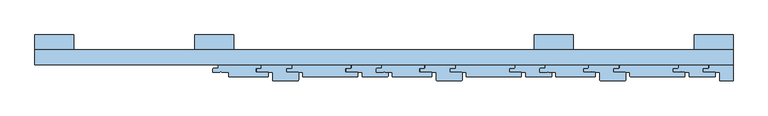
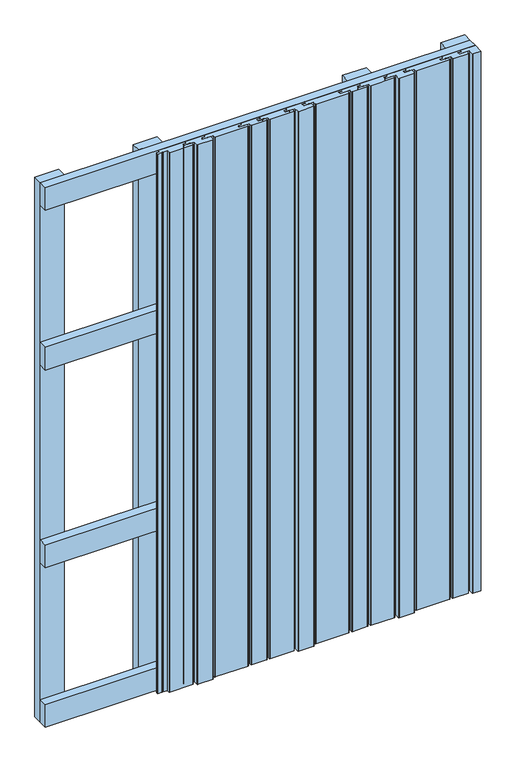
"""IFC4 building model written with IfcOpenShell, lengths in millimetres: window geometry."""

import ifcopenshell
import ifcopenshell.guid

model = None  # the IFC model being written
_history = None  # IfcOwnerHistory: only IFC2X3 demands one
_inside = {}  # id of a spatial element -> (the spatial element, [elements in it])
_under = {}  # id of a project, library or spatial element -> (it, [spatial elements below it])
_declared = {}  # id of a project -> (the project, [libraries it declares])
_typed = {}  # id of a type object -> (the type object, [elements of that type])
_made_of = {}  # id of a material, layer set ... -> (it, [elements and type objects made of it])


def new_model(schema):
    """Start an empty IFC model of exactly this schema.

    Asked for "IFC4X3", IfcOpenShell would pick the latest addendum, in which some entities
    have other attributes; the version numbers below select the first issue.
    IFC2X3 requires an IfcOwnerHistory on every rooted entity: one is made here for all.
    """
    global model, _history
    if schema == "IFC4X3":
        model = ifcopenshell.file(schema_version=(4, 3, 0, 0))
    else:
        model = ifcopenshell.file(schema=schema)
    _inside.clear()
    _under.clear()
    _declared.clear()
    _typed.clear()
    _made_of.clear()
    _history = None
    if model.schema == "IFC2X3":
        org = make("IfcOrganization", Name="unknown")
        user = make(
            "IfcPersonAndOrganization",
            ThePerson=make("IfcPerson", FamilyName="unknown"),
            TheOrganization=org,
        )
        app = make(
            "IfcApplication",
            ApplicationDeveloper=org,
            Version="unknown",
            ApplicationFullName="unknown",
            ApplicationIdentifier="unknown",
        )
        _history = make(
            "IfcOwnerHistory",
            OwningUser=user,
            OwningApplication=app,
            ChangeAction="ADDED",
            CreationDate=0,
        )
    return model


def make(cls, **values):
    """One entity of the class cls with the attributes given. An attribute that is None is left unset."""
    return model.create_entity(
        cls, **{name: value for name, value in values.items() if value is not None}
    )


def rooted(cls, **values):
    """An entity with a GlobalId (a new one), such as an element, a storey or a relation."""
    return make(cls, GlobalId=ifcopenshell.guid.new(), OwnerHistory=_history, **values)


def si_unit(unit_type, name, prefix=None):
    """IfcSIUnit, for example si_unit("LENGTHUNIT", "METRE", prefix="MILLI")."""
    return make("IfcSIUnit", UnitType=unit_type, Prefix=prefix, Name=name)


def assignment(units):
    """IfcUnitAssignment: the units of a project."""
    return None if units is None else make("IfcUnitAssignment", Units=units)


def point(xyz):
    """IfcCartesianPoint."""
    return None if xyz is None else make("IfcCartesianPoint", Coordinates=xyz)


def direction(xyz):
    """IfcDirection."""
    return None if xyz is None else make("IfcDirection", DirectionRatios=xyz)


def frame(location, z_axis=None, x_axis=None):
    """IfcAxis2Placement3D, a coordinate frame: its origin and axes. An axis left out is left unset."""
    return make(
        "IfcAxis2Placement3D",
        Location=point(location),
        Axis=direction(z_axis),
        RefDirection=direction(x_axis),
    )


def frame_2d(location, x_axis=None):
    """IfcAxis2Placement2D, a coordinate frame in the plane: its origin and x axis."""
    return make(
        "IfcAxis2Placement2D", Location=point(location), RefDirection=direction(x_axis)
    )


def origin():
    """The frame at (0, 0, 0) with its axes left unset."""
    return frame((0.0, 0.0, 0.0))


def place(relative_to, where):
    """IfcLocalPlacement: puts the frame where relative to a parent placement (None: the world)."""
    return make(
        "IfcLocalPlacement", PlacementRelTo=relative_to, RelativePlacement=where
    )


def context(
    kind, dimensions, precision=None, world=None, true_north=None, identifier=None
):
    """IfcGeometricRepresentationContext, for example the 3D "Model" context."""
    return make(
        "IfcGeometricRepresentationContext",
        ContextIdentifier=identifier,
        ContextType=kind,
        CoordinateSpaceDimension=dimensions,
        Precision=precision,
        WorldCoordinateSystem=world,
        TrueNorth=true_north,
    )


def project(units=None, contexts=None):
    """IfcProject with its units and contexts."""
    return rooted(
        "IfcProject",
        Name="project",
        RepresentationContexts=contexts,
        UnitsInContext=assignment(units),
    )


def spatial(cls, under=None, at=None, **own):
    """A site, building, storey or space (cls), placed at a placement, below another one or the project."""
    s = rooted(cls, ObjectPlacement=at, **own)
    if under is not None:
        _under.setdefault(under.id(), (under, []))[1].append(s)
    return s


def polyline(points):
    """IfcPolyline through the points."""
    return make("IfcPolyline", Points=[point(p) for p in points])


def circle_curve(where, radius):
    """IfcCircle in the frame where."""
    return make("IfcCircle", Position=where, Radius=radius)


def trimmed(basis, trim1, trim2, sense, master):
    """IfcTrimmedCurve: the piece of a basis curve between two trims."""
    return make(
        "IfcTrimmedCurve",
        BasisCurve=basis,
        Trim1=trim1,
        Trim2=trim2,
        SenseAgreement=sense,
        MasterRepresentation=master,
    )


def segment(curve, same_sense, transition):
    """IfcCompositeCurveSegment."""
    return make(
        "IfcCompositeCurveSegment",
        Transition=transition,
        SameSense=same_sense,
        ParentCurve=curve,
    )


def composite_curve(segments, self_intersect=None):
    """IfcCompositeCurve: segments joined end to end."""
    return make("IfcCompositeCurve", Segments=segments, SelfIntersect=self_intersect)


def outline(outer, holes=None, kind="AREA"):
    """IfcArbitraryClosedProfileDef: a profile drawn as a closed curve; with holes, ...WithVoids."""
    if holes is None:
        return make("IfcArbitraryClosedProfileDef", ProfileType=kind, OuterCurve=outer)
    return make(
        "IfcArbitraryProfileDefWithVoids",
        ProfileType=kind,
        OuterCurve=outer,
        InnerCurves=holes,
    )


def extrude(swept, where, along, depth):
    """IfcExtrudedAreaSolid: the profile swept, set in the frame where, extruded along a direction by depth."""
    return make(
        "IfcExtrudedAreaSolid",
        SweptArea=swept,
        Position=where,
        ExtrudedDirection=direction(along),
        Depth=depth,
    )


def shape(context_of_items, identifier, shape_type, items):
    """IfcShapeRepresentation: the items that make up one representation, for example the "Body"."""
    return make(
        "IfcShapeRepresentation",
        ContextOfItems=context_of_items,
        RepresentationIdentifier=identifier,
        RepresentationType=shape_type,
        Items=items,
    )


def source(mapping_origin, context_of_items, identifier, shape_type, items):
    """IfcRepresentationMap: a shape defined once, which mapped items show again and again."""
    return make(
        "IfcRepresentationMap",
        MappingOrigin=mapping_origin,
        MappedRepresentation=shape(context_of_items, identifier, shape_type, items),
    )


def transform(
    local_origin,
    x_axis=None,
    y_axis=None,
    z_axis=None,
    scale=None,
    scale2=None,
    scale3=None,
    uniform=True,
):
    """IfcCartesianTransformationOperator3D, or its non-uniform kind. x_axis, y_axis, z_axis: its Axis1, 2, 3."""
    if uniform:
        return make(
            "IfcCartesianTransformationOperator3D",
            Axis1=direction(x_axis),
            Axis2=direction(y_axis),
            LocalOrigin=point(local_origin),
            Scale=scale,
            Axis3=direction(z_axis),
        )
    return make(
        "IfcCartesianTransformationOperator3DnonUniform",
        Axis1=direction(x_axis),
        Axis2=direction(y_axis),
        LocalOrigin=point(local_origin),
        Scale=scale,
        Axis3=direction(z_axis),
        Scale2=scale2,
        Scale3=scale3,
    )


def mapped(mapping_source, mapping_target):
    """IfcMappedItem: shows the shape of a source again, moved by a transform."""
    return make(
        "IfcMappedItem", MappingSource=mapping_source, MappingTarget=mapping_target
    )


def made_of(thing, what):
    """Note that an element or type object is made of a material, layer set ...; save() writes the relation."""
    if what is not None:
        _made_of.setdefault(what.id(), (what, []))[1].append(thing)
    return thing


def element(
    cls,
    number,
    at=None,
    inside=None,
    cuts=None,
    type_object=None,
    material=None,
    context=None,
    identifier="Body",
    shape_type=None,
    held_by="IfcProductDefinitionShape",
    body=None,
    shapes=None,
    **own,
):
    """One element of the class cls, such as IfcWall. Its Tag is "e" and its number.

    at: its placement. inside: the storey or other place that contains it. cuts: it is an
    opening in that element (IfcRelVoidsElement). A single representation is given by context,
    identifier, shape_type and body (its items); several are given by shapes. held_by: the class
    of the entity that holds the representations. save() writes the other relations.
    """
    e = rooted(cls, Tag="e%d" % number, ObjectPlacement=at, **own)
    if body is not None:
        shapes = [shape(context, identifier, shape_type, body)]
    if shapes is not None:
        e.Representation = make(held_by, Representations=shapes)
    if inside is not None:
        _inside.setdefault(inside.id(), (inside, []))[1].append(e)
    if cuts is not None:
        rooted(
            "IfcRelVoidsElement", RelatingBuildingElement=cuts, RelatedOpeningElement=e
        )
    if type_object is not None:
        _typed.setdefault(type_object.id(), (type_object, []))[1].append(e)
    return made_of(e, material)


def aggregate(whole, parts):
    """IfcRelAggregates: a whole, such as a stair, and the parts it consists of."""
    return rooted("IfcRelAggregates", RelatingObject=whole, RelatedObjects=parts)


def save(model, path):
    """Write the relations noted so far, then the file.

    IfcRelAggregates (storeys below a building ...), IfcRelContainedInSpatialStructure (elements
    in a storey), IfcRelDefinesByType, IfcRelAssociatesMaterial and IfcRelDeclares: one each for
    every whole, place, type object, material and project.
    """
    for whole, parts in _under.values():
        aggregate(whole, parts)
    for where, things in _inside.values():
        rooted(
            "IfcRelContainedInSpatialStructure",
            RelatedElements=things,
            RelatingStructure=where,
        )
    for kind, things in _typed.values():
        rooted("IfcRelDefinesByType", RelatedObjects=things, RelatingType=kind)
    for what, things in _made_of.values():
        rooted("IfcRelAssociatesMaterial", RelatedObjects=things, RelatingMaterial=what)
    for by, libraries in _declared.values():
        rooted("IfcRelDeclares", RelatingContext=by, RelatedDefinitions=libraries)
    model.write(path)


def window_c0ffc257(model_context):
    return source(origin(), model_context, "Body", "SweptSolid", [
        extrude(outline(polyline([(-565.5, -24.0), (-565.5, 0.0), (565.5, 0.0), (565.5, -24.0), (-565.5, -24.0)])), frame((0.0, 0.0, 1093.5), z_axis=(0.0, 0.0, 1.0), x_axis=(1.0, 0.0, 0.0)), (0.0, 0.0, 1.0), 63.0),
        extrude(outline(polyline([(-565.5, -24.0), (-565.5, 0.0), (565.5, 0.0), (565.5, -24.0), (-565.5, -24.0)])), frame((0.0, 0.0, 543.5), z_axis=(0.0, 0.0, 1.0), x_axis=(1.0, 0.0, 0.0)), (0.0, 0.0, 1.0), 63.0),
        extrude(outline(polyline([(-565.5, -24.0), (-565.5, 0.0), (565.5, 0.0), (565.5, -24.0), (-565.5, -24.0)])), frame((0.0, 0.0, 1537.0), z_axis=(0.0, 0.0, 1.0), x_axis=(1.0, 0.0, 0.0)), (0.0, 0.0, 1.0), 63.0),
        extrude(outline(polyline([(-565.5, -24.0), (-565.5, 0.0), (565.5, 0.0), (565.5, -24.0), (-565.5, -24.0)])), frame((0.0, 0.0, 100.0), z_axis=(0.0, 0.0, 1.0), x_axis=(1.0, 0.0, 0.0)), (0.0, 0.0, 1.0), 63.0),
        extrude(outline(polyline([(306.5, 0.0), (243.5, 0.0), (243.5, 24.0), (306.5, 24.0), (306.5, 0.0)])), frame((0.0, 0.0, 100.0), z_axis=(0.0, 0.0, 1.0), x_axis=(1.0, 0.0, 0.0)), (0.0, 0.0, 1.0), 1500.0),
        extrude(outline(polyline([(-243.5, 0.0), (-306.5, 0.0), (-306.5, 24.0), (-243.5, 24.0), (-243.5, 0.0)])), frame((0.0, 0.0, 100.0), z_axis=(0.0, 0.0, 1.0), x_axis=(1.0, 0.0, 0.0)), (0.0, 0.0, 1.0), 1500.0),
        extrude(outline(polyline([(565.5, 0.0), (502.5, 0.0), (502.5, 24.0), (565.5, 24.0), (565.5, 0.0)])), frame((0.0, 0.0, 100.0), z_axis=(0.0, 0.0, 1.0), x_axis=(1.0, 0.0, 0.0)), (0.0, 0.0, 1.0), 1500.0),
        extrude(outline(polyline([(-502.5, 0.0), (-565.5, 0.0), (-565.5, 24.0), (-502.5, 24.0), (-502.5, 0.0)])), frame((0.0, 0.0, 100.0), z_axis=(0.0, 0.0, 1.0), x_axis=(1.0, 0.0, 0.0)), (0.0, 0.0, 1.0), 1500.0),
        extrude(outline(composite_curve([segment(polyline([(253.5, -30.25), (261.5, -30.25), (261.5, -24.0), (330.5, -24.0), (330.5, -29.0)]), True, "CONTINUOUS"), segment(trimmed(circle_curve(frame_2d((329.5, -29.0)), 1.0), [point((330.5, -29.0))], [point((329.5, -30.0))], False, "CARTESIAN"), True, "CONTINUOUS"), segment(polyline([(329.5, -30.0), (322.5, -30.0), (322.5, -36.5), (341.5, -36.5)]), True, "CONTINUOUS"), segment(trimmed(circle_curve(frame_2d((341.5, -37.5)), 1.0), [point((341.5, -36.5))], [point((342.5, -37.5))], False, "CARTESIAN"), True, "CONTINUOUS"), segment(polyline([(342.5, -37.5), (342.5, -42.9818438)]), True, "CONTINUOUS"), segment(trimmed(circle_curve(frame_2d((341.500165, -43.0000073)), 1.0), [point((342.5, -42.9818438))], [point((341.4963541, -44.0))], False, "CARTESIAN"), True, "CONTINUOUS"), segment(polyline([(341.4963541, -44.0), (279.5038108, -44.0)]), True, "CONTINUOUS"), segment(trimmed(circle_curve(frame_2d((279.5, -43.0000073)), 1.0), [point((279.5038108, -44.0))], [point((278.5, -43.0000073))], False, "CARTESIAN"), True, "CONTINUOUS"), segment(polyline([(278.5, -43.0000073), (278.5, -36.25), (267.2406766, -36.25)]), True, "CONTINUOUS"), segment(trimmed(circle_curve(frame_2d((267.2468786, -35.2497192)), 1.0003001), [point((267.2406766, -36.25))], [point((266.3786704, -35.7465238))], False, "CARTESIAN"), True, "CONTINUOUS"), segment(trimmed(circle_curve(frame_2d((265.5, -36.2239526)), 1.0), [point((266.3786704, -35.7465238))], [point((264.6213296, -35.7465238))], True, "CARTESIAN"), True, "CONTINUOUS"), segment(trimmed(circle_curve(frame_2d((263.7532725, -35.2500594)), 1.0), [point((264.6213296, -35.7465238))], [point((263.7641697, -36.25))], False, "CARTESIAN"), True, "CONTINUOUS"), segment(polyline([(263.7641697, -36.25), (252.5, -36.25), (252.5, -31.25)]), True, "CONTINUOUS"), segment(trimmed(circle_curve(frame_2d((253.5, -31.25)), 1.0), [point((252.5, -31.25))], [point((253.5, -30.25))], False, "CARTESIAN"), True, "CONTINUOUS")], self_intersect=False)), frame((0.0, 0.0, 100.0), z_axis=(0.0, 0.0, 1.0), x_axis=(1.0, 0.0, 0.0)), (0.0, 0.0, 1.0), 1500.0),
        extrude(outline(composite_curve([segment(polyline([(324.5, -30.25), (331.5, -30.25), (331.5, -24.0), (380.5, -24.0), (380.5, -29.0)]), True, "CONTINUOUS"), segment(trimmed(circle_curve(frame_2d((379.5, -29.0)), 1.0), [point((380.5, -29.0))], [point((379.5, -30.0))], False, "CARTESIAN"), True, "CONTINUOUS"), segment(polyline([(379.5, -30.0), (371.5, -30.0), (371.5, -36.5), (390.5, -36.5)]), True, "CONTINUOUS"), segment(trimmed(circle_curve(frame_2d((390.5, -37.5)), 1.0), [point((390.5, -36.5))], [point((391.5, -37.5))], False, "CARTESIAN"), True, "CONTINUOUS"), segment(polyline([(391.5, -37.5), (391.5, -48.9818438)]), True, "CONTINUOUS"), segment(trimmed(circle_curve(frame_2d((390.500165, -49.0000073)), 1.0), [point((391.5, -48.9818438))], [point((390.4963541, -50.0))], False, "CARTESIAN"), True, "CONTINUOUS"), segment(polyline([(390.4963541, -50.0), (350.5038108, -50.0)]), True, "CONTINUOUS"), segment(trimmed(circle_curve(frame_2d((350.5, -49.0000073)), 1.0), [point((350.5038108, -50.0))], [point((349.5, -49.0000073))], False, "CARTESIAN"), True, "CONTINUOUS"), segment(polyline([(349.5, -49.0000073), (349.5, -36.25), (338.2406766, -36.25)]), True, "CONTINUOUS"), segment(trimmed(circle_curve(frame_2d((338.2468786, -35.2497192)), 1.0003001), [point((338.2406766, -36.25))], [point((337.3786704, -35.7465238))], False, "CARTESIAN"), True, "CONTINUOUS"), segment(trimmed(circle_curve(frame_2d((336.5, -36.2239526)), 1.0), [point((337.3786704, -35.7465238))], [point((335.6213296, -35.7465238))], True, "CARTESIAN"), True, "CONTINUOUS"), segment(trimmed(circle_curve(frame_2d((334.7532725, -35.2500594)), 1.0), [point((335.6213296, -35.7465238))], [point((334.7641697, -36.25))], False, "CARTESIAN"), True, "CONTINUOUS"), segment(polyline([(334.7641697, -36.25), (323.5, -36.25), (323.5, -31.25)]), True, "CONTINUOUS"), segment(trimmed(circle_curve(frame_2d((324.5, -31.25)), 1.0), [point((323.5, -31.25))], [point((324.5, -30.25))], False, "CARTESIAN"), True, "CONTINUOUS")], self_intersect=False)), frame((0.0, 0.0, 100.0), z_axis=(0.0, 0.0, 1.0), x_axis=(1.0, 0.0, 0.0)), (0.0, 0.0, 1.0), 1500.0),
        extrude(outline(composite_curve([segment(polyline([(373.5, -30.25), (381.5, -30.25), (381.5, -24.0), (476.5, -24.0), (476.5, -29.0)]), True, "CONTINUOUS"), segment(trimmed(circle_curve(frame_2d((475.5, -29.0)), 1.0), [point((476.5, -29.0))], [point((475.5, -30.0))], False, "CARTESIAN"), True, "CONTINUOUS"), segment(polyline([(475.5, -30.0), (467.5, -30.0), (467.5, -36.5), (486.5, -36.5)]), True, "CONTINUOUS"), segment(trimmed(circle_curve(frame_2d((486.5, -37.5)), 1.0), [point((486.5, -36.5))], [point((487.5, -37.5))], False, "CARTESIAN"), True, "CONTINUOUS"), segment(polyline([(487.5, -37.5), (487.5, -42.9818438)]), True, "CONTINUOUS"), segment(trimmed(circle_curve(frame_2d((486.500165, -43.0000073)), 1.0), [point((487.5, -42.9818438))], [point((486.4963541, -44.0))], False, "CARTESIAN"), True, "CONTINUOUS"), segment(polyline([(486.4963541, -44.0), (399.5038108, -44.0)]), True, "CONTINUOUS"), segment(trimmed(circle_curve(frame_2d((399.5, -43.0000073)), 1.0), [point((399.5038108, -44.0))], [point((398.5, -43.0000073))], False, "CARTESIAN"), True, "CONTINUOUS"), segment(polyline([(398.5, -43.0000073), (398.5, -36.25), (387.2406766, -36.25)]), True, "CONTINUOUS"), segment(trimmed(circle_curve(frame_2d((387.2468786, -35.2497192)), 1.0003001), [point((387.2406766, -36.25))], [point((386.3786704, -35.7465238))], False, "CARTESIAN"), True, "CONTINUOUS"), segment(trimmed(circle_curve(frame_2d((385.5, -36.2239526)), 1.0), [point((386.3786704, -35.7465238))], [point((384.6213296, -35.7465238))], True, "CARTESIAN"), True, "CONTINUOUS"), segment(trimmed(circle_curve(frame_2d((383.7532725, -35.2500594)), 1.0), [point((384.6213296, -35.7465238))], [point((383.7641697, -36.25))], False, "CARTESIAN"), True, "CONTINUOUS"), segment(polyline([(383.7641697, -36.25), (372.5, -36.25), (372.5, -31.25)]), True, "CONTINUOUS"), segment(trimmed(circle_curve(frame_2d((373.5, -31.25)), 1.0), [point((372.5, -31.25))], [point((373.5, -30.25))], False, "CARTESIAN"), True, "CONTINUOUS")], self_intersect=False)), frame((0.0, 0.0, 100.0), z_axis=(0.0, 0.0, 1.0), x_axis=(1.0, 0.0, 0.0)), (0.0, 0.0, 1.0), 1500.0),
        extrude(outline(composite_curve([segment(polyline([(469.5, -30.25), (477.5, -30.25), (477.5, -24.0), (525.5, -24.0), (525.5, -29.0)]), True, "CONTINUOUS"), segment(trimmed(circle_curve(frame_2d((524.5, -29.0)), 1.0), [point((525.5, -29.0))], [point((524.5, -30.0))], False, "CARTESIAN"), True, "CONTINUOUS"), segment(polyline([(524.5, -30.0), (516.5, -30.0), (516.5, -36.5), (535.5, -36.5)]), True, "CONTINUOUS"), segment(trimmed(circle_curve(frame_2d((535.5, -37.5)), 1.0), [point((535.5, -36.5))], [point((536.5, -37.5))], False, "CARTESIAN"), True, "CONTINUOUS"), segment(polyline([(536.5, -37.5), (536.5, -42.9818438)]), True, "CONTINUOUS"), segment(trimmed(circle_curve(frame_2d((535.500165, -43.0000073)), 1.0), [point((536.5, -42.9818438))], [point((535.4963541, -44.0))], False, "CARTESIAN"), True, "CONTINUOUS"), segment(polyline([(535.4963541, -44.0), (495.5038108, -44.0)]), True, "CONTINUOUS"), segment(trimmed(circle_curve(frame_2d((495.5, -43.0000073)), 1.0), [point((495.5038108, -44.0))], [point((494.5, -43.0000073))], False, "CARTESIAN"), True, "CONTINUOUS"), segment(polyline([(494.5, -43.0000073), (494.5, -36.25), (483.2406766, -36.25)]), True, "CONTINUOUS"), segment(trimmed(circle_curve(frame_2d((483.2468786, -35.2497192)), 1.0003001), [point((483.2406766, -36.25))], [point((482.3786704, -35.7465238))], False, "CARTESIAN"), True, "CONTINUOUS"), segment(trimmed(circle_curve(frame_2d((481.5, -36.2239526)), 1.0), [point((482.3786704, -35.7465238))], [point((480.6213296, -35.7465238))], True, "CARTESIAN"), True, "CONTINUOUS"), segment(trimmed(circle_curve(frame_2d((479.7532725, -35.2500594)), 1.0), [point((480.6213296, -35.7465238))], [point((479.7641697, -36.25))], False, "CARTESIAN"), True, "CONTINUOUS"), segment(polyline([(479.7641697, -36.25), (468.5, -36.25), (468.5, -31.25)]), True, "CONTINUOUS"), segment(trimmed(circle_curve(frame_2d((469.5, -31.25)), 1.0), [point((468.5, -31.25))], [point((469.5, -30.25))], False, "CARTESIAN"), True, "CONTINUOUS")], self_intersect=False)), frame((0.0, 0.0, 100.0), z_axis=(0.0, 0.0, 1.0), x_axis=(1.0, 0.0, 0.0)), (0.0, 0.0, 1.0), 1500.0),
        extrude(outline(composite_curve([segment(polyline([(-11.5, -30.25), (-3.5, -30.25), (-3.5, -24.0), (65.5, -24.0), (65.5, -29.0)]), True, "CONTINUOUS"), segment(trimmed(circle_curve(frame_2d((64.5, -29.0)), 1.0), [point((65.5, -29.0))], [point((64.5, -30.0))], False, "CARTESIAN"), True, "CONTINUOUS"), segment(polyline([(64.5, -30.0), (57.5, -30.0), (57.5, -36.5), (76.5, -36.5)]), True, "CONTINUOUS"), segment(trimmed(circle_curve(frame_2d((76.5, -37.5)), 1.0), [point((76.5, -36.5))], [point((77.5, -37.5))], False, "CARTESIAN"), True, "CONTINUOUS"), segment(polyline([(77.5, -37.5), (77.5, -42.9818438)]), True, "CONTINUOUS"), segment(trimmed(circle_curve(frame_2d((76.500165, -43.0000073)), 1.0), [point((77.5, -42.9818438))], [point((76.4963541, -44.0))], False, "CARTESIAN"), True, "CONTINUOUS"), segment(polyline([(76.4963541, -44.0), (14.5038108, -44.0)]), True, "CONTINUOUS"), segment(trimmed(circle_curve(frame_2d((14.5, -43.0000073)), 1.0), [point((14.5038108, -44.0))], [point((13.5, -43.0000073))], False, "CARTESIAN"), True, "CONTINUOUS"), segment(polyline([(13.5, -43.0000073), (13.5, -36.25), (2.2406766, -36.25)]), True, "CONTINUOUS"), segment(trimmed(circle_curve(frame_2d((2.2468786, -35.2497192)), 1.0003001), [point((2.2406766, -36.25))], [point((1.3786704, -35.7465238))], False, "CARTESIAN"), True, "CONTINUOUS"), segment(trimmed(circle_curve(frame_2d((0.5, -36.2239526)), 1.0), [point((1.3786704, -35.7465238))], [point((-0.3786704, -35.7465238))], True, "CARTESIAN"), True, "CONTINUOUS"), segment(trimmed(circle_curve(frame_2d((-1.2467275, -35.2500594)), 1.0), [point((-0.3786704, -35.7465238))], [point((-1.2358303, -36.25))], False, "CARTESIAN"), True, "CONTINUOUS"), segment(polyline([(-1.2358303, -36.25), (-12.5, -36.25), (-12.5, -31.25)]), True, "CONTINUOUS"), segment(trimmed(circle_curve(frame_2d((-11.5, -31.25)), 1.0), [point((-12.5, -31.25))], [point((-11.5, -30.25))], False, "CARTESIAN"), True, "CONTINUOUS")], self_intersect=False)), frame((0.0, 0.0, 100.0), z_axis=(0.0, 0.0, 1.0), x_axis=(1.0, 0.0, 0.0)), (0.0, 0.0, 1.0), 1500.0),
        extrude(outline(composite_curve([segment(polyline([(59.5, -30.25), (66.5, -30.25), (66.5, -24.0), (115.5, -24.0), (115.5, -29.0)]), True, "CONTINUOUS"), segment(trimmed(circle_curve(frame_2d((114.5, -29.0)), 1.0), [point((115.5, -29.0))], [point((114.5, -30.0))], False, "CARTESIAN"), True, "CONTINUOUS"), segment(polyline([(114.5, -30.0), (106.5, -30.0), (106.5, -36.5), (125.5, -36.5)]), True, "CONTINUOUS"), segment(trimmed(circle_curve(frame_2d((125.5, -37.5)), 1.0), [point((125.5, -36.5))], [point((126.5, -37.5))], False, "CARTESIAN"), True, "CONTINUOUS"), segment(polyline([(126.5, -37.5), (126.5, -48.9818438)]), True, "CONTINUOUS"), segment(trimmed(circle_curve(frame_2d((125.500165, -49.0000073)), 1.0), [point((126.5, -48.9818438))], [point((125.4963541, -50.0))], False, "CARTESIAN"), True, "CONTINUOUS"), segment(polyline([(125.4963541, -50.0), (85.5038108, -50.0)]), True, "CONTINUOUS"), segment(trimmed(circle_curve(frame_2d((85.5, -49.0000073)), 1.0), [point((85.5038108, -50.0))], [point((84.5, -49.0000073))], False, "CARTESIAN"), True, "CONTINUOUS"), segment(polyline([(84.5, -49.0000073), (84.5, -36.25), (73.2406766, -36.25)]), True, "CONTINUOUS"), segment(trimmed(circle_curve(frame_2d((73.2468786, -35.2497192)), 1.0003001), [point((73.2406766, -36.25))], [point((72.3786704, -35.7465238))], False, "CARTESIAN"), True, "CONTINUOUS"), segment(trimmed(circle_curve(frame_2d((71.5, -36.2239526)), 1.0), [point((72.3786704, -35.7465238))], [point((70.6213296, -35.7465238))], True, "CARTESIAN"), True, "CONTINUOUS"), segment(trimmed(circle_curve(frame_2d((69.7532725, -35.2500594)), 1.0), [point((70.6213296, -35.7465238))], [point((69.7641697, -36.25))], False, "CARTESIAN"), True, "CONTINUOUS"), segment(polyline([(69.7641697, -36.25), (58.5, -36.25), (58.5, -31.25)]), True, "CONTINUOUS"), segment(trimmed(circle_curve(frame_2d((59.5, -31.25)), 1.0), [point((58.5, -31.25))], [point((59.5, -30.25))], False, "CARTESIAN"), True, "CONTINUOUS")], self_intersect=False)), frame((0.0, 0.0, 100.0), z_axis=(0.0, 0.0, 1.0), x_axis=(1.0, 0.0, 0.0)), (0.0, 0.0, 1.0), 1500.0),
        extrude(outline(composite_curve([segment(polyline([(108.5, -30.25), (116.5, -30.25), (116.5, -24.0), (211.5, -24.0), (211.5, -29.0)]), True, "CONTINUOUS"), segment(trimmed(circle_curve(frame_2d((210.5, -29.0)), 1.0), [point((211.5, -29.0))], [point((210.5, -30.0))], False, "CARTESIAN"), True, "CONTINUOUS"), segment(polyline([(210.5, -30.0), (202.5, -30.0), (202.5, -36.5), (221.5, -36.5)]), True, "CONTINUOUS"), segment(trimmed(circle_curve(frame_2d((221.5, -37.5)), 1.0), [point((221.5, -36.5))], [point((222.5, -37.5))], False, "CARTESIAN"), True, "CONTINUOUS"), segment(polyline([(222.5, -37.5), (222.5, -42.9818438)]), True, "CONTINUOUS"), segment(trimmed(circle_curve(frame_2d((221.500165, -43.0000073)), 1.0), [point((222.5, -42.9818438))], [point((221.4963541, -44.0))], False, "CARTESIAN"), True, "CONTINUOUS"), segment(polyline([(221.4963541, -44.0), (134.5038108, -44.0)]), True, "CONTINUOUS"), segment(trimmed(circle_curve(frame_2d((134.5, -43.0000073)), 1.0), [point((134.5038108, -44.0))], [point((133.5, -43.0000073))], False, "CARTESIAN"), True, "CONTINUOUS"), segment(polyline([(133.5, -43.0000073), (133.5, -36.25), (122.2406766, -36.25)]), True, "CONTINUOUS"), segment(trimmed(circle_curve(frame_2d((122.2468786, -35.2497192)), 1.0003001), [point((122.2406766, -36.25))], [point((121.3786704, -35.7465238))], False, "CARTESIAN"), True, "CONTINUOUS"), segment(trimmed(circle_curve(frame_2d((120.5, -36.2239526)), 1.0), [point((121.3786704, -35.7465238))], [point((119.6213296, -35.7465238))], True, "CARTESIAN"), True, "CONTINUOUS"), segment(trimmed(circle_curve(frame_2d((118.7532725, -35.2500594)), 1.0), [point((119.6213296, -35.7465238))], [point((118.7641697, -36.25))], False, "CARTESIAN"), True, "CONTINUOUS"), segment(polyline([(118.7641697, -36.25), (107.5, -36.25), (107.5, -31.25)]), True, "CONTINUOUS"), segment(trimmed(circle_curve(frame_2d((108.5, -31.25)), 1.0), [point((107.5, -31.25))], [point((108.5, -30.25))], False, "CARTESIAN"), True, "CONTINUOUS")], self_intersect=False)), frame((0.0, 0.0, 100.0), z_axis=(0.0, 0.0, 1.0), x_axis=(1.0, 0.0, 0.0)), (0.0, 0.0, 1.0), 1500.0),
        extrude(outline(composite_curve([segment(polyline([(204.5, -30.25), (212.5, -30.25), (212.5, -24.0), (260.5, -24.0), (260.5, -29.0)]), True, "CONTINUOUS"), segment(trimmed(circle_curve(frame_2d((259.5, -29.0)), 1.0), [point((260.5, -29.0))], [point((259.5, -30.0))], False, "CARTESIAN"), True, "CONTINUOUS"), segment(polyline([(259.5, -30.0), (251.5, -30.0), (251.5, -36.5), (270.5, -36.5)]), True, "CONTINUOUS"), segment(trimmed(circle_curve(frame_2d((270.5, -37.5)), 1.0), [point((270.5, -36.5))], [point((271.5, -37.5))], False, "CARTESIAN"), True, "CONTINUOUS"), segment(polyline([(271.5, -37.5), (271.5, -42.9818438)]), True, "CONTINUOUS"), segment(trimmed(circle_curve(frame_2d((270.500165, -43.0000073)), 1.0), [point((271.5, -42.9818438))], [point((270.4963541, -44.0))], False, "CARTESIAN"), True, "CONTINUOUS"), segment(polyline([(270.4963541, -44.0), (230.5038108, -44.0)]), True, "CONTINUOUS"), segment(trimmed(circle_curve(frame_2d((230.5, -43.0000073)), 1.0), [point((230.5038108, -44.0))], [point((229.5, -43.0000073))], False, "CARTESIAN"), True, "CONTINUOUS"), segment(polyline([(229.5, -43.0000073), (229.5, -36.25), (218.2406766, -36.25)]), True, "CONTINUOUS"), segment(trimmed(circle_curve(frame_2d((218.2468786, -35.2497192)), 1.0003001), [point((218.2406766, -36.25))], [point((217.3786704, -35.7465238))], False, "CARTESIAN"), True, "CONTINUOUS"), segment(trimmed(circle_curve(frame_2d((216.5, -36.2239526)), 1.0), [point((217.3786704, -35.7465238))], [point((215.6213296, -35.7465238))], True, "CARTESIAN"), True, "CONTINUOUS"), segment(trimmed(circle_curve(frame_2d((214.7532725, -35.2500594)), 1.0), [point((215.6213296, -35.7465238))], [point((214.7641697, -36.25))], False, "CARTESIAN"), True, "CONTINUOUS"), segment(polyline([(214.7641697, -36.25), (203.5, -36.25), (203.5, -31.25)]), True, "CONTINUOUS"), segment(trimmed(circle_curve(frame_2d((204.5, -31.25)), 1.0), [point((203.5, -31.25))], [point((204.5, -30.25))], False, "CARTESIAN"), True, "CONTINUOUS")], self_intersect=False)), frame((0.0, 0.0, 100.0), z_axis=(0.0, 0.0, 1.0), x_axis=(1.0, 0.0, 0.0)), (0.0, 0.0, 1.0), 1500.0),
        extrude(outline(composite_curve([segment(polyline([(-276.5, -30.25), (-268.5, -30.25), (-268.5, -24.0), (-199.5, -24.0), (-199.5, -29.0)]), True, "CONTINUOUS"), segment(trimmed(circle_curve(frame_2d((-200.5, -29.0)), 1.0), [point((-199.5, -29.0))], [point((-200.5, -30.0))], False, "CARTESIAN"), True, "CONTINUOUS"), segment(polyline([(-200.5, -30.0), (-207.5, -30.0), (-207.5, -36.5), (-188.5, -36.5)]), True, "CONTINUOUS"), segment(trimmed(circle_curve(frame_2d((-188.5, -37.5)), 1.0), [point((-188.5, -36.5))], [point((-187.5, -37.5))], False, "CARTESIAN"), True, "CONTINUOUS"), segment(polyline([(-187.5, -37.5), (-187.5, -42.9818438)]), True, "CONTINUOUS"), segment(trimmed(circle_curve(frame_2d((-188.499835, -43.0000073)), 1.0), [point((-187.5, -42.9818438))], [point((-188.5036459, -44.0))], False, "CARTESIAN"), True, "CONTINUOUS"), segment(polyline([(-188.5036459, -44.0), (-250.4961892, -44.0)]), True, "CONTINUOUS"), segment(trimmed(circle_curve(frame_2d((-250.5, -43.0000073)), 1.0), [point((-250.4961892, -44.0))], [point((-251.5, -43.0000073))], False, "CARTESIAN"), True, "CONTINUOUS"), segment(polyline([(-251.5, -43.0000073), (-251.5, -36.25), (-262.7593234, -36.25)]), True, "CONTINUOUS"), segment(trimmed(circle_curve(frame_2d((-262.7531214, -35.2497192)), 1.0003001), [point((-262.7593234, -36.25))], [point((-263.6213296, -35.7465238))], False, "CARTESIAN"), True, "CONTINUOUS"), segment(trimmed(circle_curve(frame_2d((-264.5, -36.2239526)), 1.0), [point((-263.6213296, -35.7465238))], [point((-265.3786704, -35.7465238))], True, "CARTESIAN"), True, "CONTINUOUS"), segment(trimmed(circle_curve(frame_2d((-266.2467275, -35.2500594)), 1.0), [point((-265.3786704, -35.7465238))], [point((-266.2358303, -36.25))], False, "CARTESIAN"), True, "CONTINUOUS"), segment(polyline([(-266.2358303, -36.25), (-277.5, -36.25), (-277.5, -31.25)]), True, "CONTINUOUS"), segment(trimmed(circle_curve(frame_2d((-276.5, -31.25)), 1.0), [point((-277.5, -31.25))], [point((-276.5, -30.25))], False, "CARTESIAN"), True, "CONTINUOUS")], self_intersect=False)), frame((0.0, 0.0, 100.0), z_axis=(0.0, 0.0, 1.0), x_axis=(1.0, 0.0, 0.0)), (0.0, 0.0, 1.0), 1500.0),
        extrude(outline(composite_curve([segment(polyline([(-205.5, -30.25), (-198.5, -30.25), (-198.5, -24.0), (-149.5, -24.0), (-149.5, -29.0)]), True, "CONTINUOUS"), segment(trimmed(circle_curve(frame_2d((-150.5, -29.0)), 1.0), [point((-149.5, -29.0))], [point((-150.5, -30.0))], False, "CARTESIAN"), True, "CONTINUOUS"), segment(polyline([(-150.5, -30.0), (-158.5, -30.0), (-158.5, -36.5), (-139.5, -36.5)]), True, "CONTINUOUS"), segment(trimmed(circle_curve(frame_2d((-139.5, -37.5)), 1.0), [point((-139.5, -36.5))], [point((-138.5, -37.5))], False, "CARTESIAN"), True, "CONTINUOUS"), segment(polyline([(-138.5, -37.5), (-138.5, -48.9818438)]), True, "CONTINUOUS"), segment(trimmed(circle_curve(frame_2d((-139.499835, -49.0000073)), 1.0), [point((-138.5, -48.9818438))], [point((-139.5036459, -50.0))], False, "CARTESIAN"), True, "CONTINUOUS"), segment(polyline([(-139.5036459, -50.0), (-179.4961892, -50.0)]), True, "CONTINUOUS"), segment(trimmed(circle_curve(frame_2d((-179.5, -49.0000073)), 1.0), [point((-179.4961892, -50.0))], [point((-180.5, -49.0000073))], False, "CARTESIAN"), True, "CONTINUOUS"), segment(polyline([(-180.5, -49.0000073), (-180.5, -36.25), (-191.7593234, -36.25)]), True, "CONTINUOUS"), segment(trimmed(circle_curve(frame_2d((-191.7531214, -35.2497192)), 1.0003001), [point((-191.7593234, -36.25))], [point((-192.6213296, -35.7465238))], False, "CARTESIAN"), True, "CONTINUOUS"), segment(trimmed(circle_curve(frame_2d((-193.5, -36.2239526)), 1.0), [point((-192.6213296, -35.7465238))], [point((-194.3786704, -35.7465238))], True, "CARTESIAN"), True, "CONTINUOUS"), segment(trimmed(circle_curve(frame_2d((-195.2467275, -35.2500594)), 1.0), [point((-194.3786704, -35.7465238))], [point((-195.2358303, -36.25))], False, "CARTESIAN"), True, "CONTINUOUS"), segment(polyline([(-195.2358303, -36.25), (-206.5, -36.25), (-206.5, -31.25)]), True, "CONTINUOUS"), segment(trimmed(circle_curve(frame_2d((-205.5, -31.25)), 1.0), [point((-206.5, -31.25))], [point((-205.5, -30.25))], False, "CARTESIAN"), True, "CONTINUOUS")], self_intersect=False)), frame((0.0, 0.0, 100.0), z_axis=(0.0, 0.0, 1.0), x_axis=(1.0, 0.0, 0.0)), (0.0, 0.0, 1.0), 1500.0),
        extrude(outline(composite_curve([segment(polyline([(-156.5, -30.25), (-148.5, -30.25), (-148.5, -24.0), (-53.5, -24.0), (-53.5, -29.0)]), True, "CONTINUOUS"), segment(trimmed(circle_curve(frame_2d((-54.5, -29.0)), 1.0), [point((-53.5, -29.0))], [point((-54.5, -30.0))], False, "CARTESIAN"), True, "CONTINUOUS"), segment(polyline([(-54.5, -30.0), (-62.5, -30.0), (-62.5, -36.5), (-43.5, -36.5)]), True, "CONTINUOUS"), segment(trimmed(circle_curve(frame_2d((-43.5, -37.5)), 1.0), [point((-43.5, -36.5))], [point((-42.5, -37.5))], False, "CARTESIAN"), True, "CONTINUOUS"), segment(polyline([(-42.5, -37.5), (-42.5, -42.9818438)]), True, "CONTINUOUS"), segment(trimmed(circle_curve(frame_2d((-43.499835, -43.0000073)), 1.0), [point((-42.5, -42.9818438))], [point((-43.5036459, -44.0))], False, "CARTESIAN"), True, "CONTINUOUS"), segment(polyline([(-43.5036459, -44.0), (-130.4961892, -44.0)]), True, "CONTINUOUS"), segment(trimmed(circle_curve(frame_2d((-130.5, -43.0000073)), 1.0), [point((-130.4961892, -44.0))], [point((-131.5, -43.0000073))], False, "CARTESIAN"), True, "CONTINUOUS"), segment(polyline([(-131.5, -43.0000073), (-131.5, -36.25), (-142.7593234, -36.25)]), True, "CONTINUOUS"), segment(trimmed(circle_curve(frame_2d((-142.7531214, -35.2497192)), 1.0003001), [point((-142.7593234, -36.25))], [point((-143.6213296, -35.7465238))], False, "CARTESIAN"), True, "CONTINUOUS"), segment(trimmed(circle_curve(frame_2d((-144.5, -36.2239526)), 1.0), [point((-143.6213296, -35.7465238))], [point((-145.3786704, -35.7465238))], True, "CARTESIAN"), True, "CONTINUOUS"), segment(trimmed(circle_curve(frame_2d((-146.2467275, -35.2500594)), 1.0), [point((-145.3786704, -35.7465238))], [point((-146.2358303, -36.25))], False, "CARTESIAN"), True, "CONTINUOUS"), segment(polyline([(-146.2358303, -36.25), (-157.5, -36.25), (-157.5, -31.25)]), True, "CONTINUOUS"), segment(trimmed(circle_curve(frame_2d((-156.5, -31.25)), 1.0), [point((-157.5, -31.25))], [point((-156.5, -30.25))], False, "CARTESIAN"), True, "CONTINUOUS")], self_intersect=False)), frame((0.0, 0.0, 100.0), z_axis=(0.0, 0.0, 1.0), x_axis=(1.0, 0.0, 0.0)), (0.0, 0.0, 1.0), 1500.0),
        extrude(outline(composite_curve([segment(polyline([(-60.5, -30.25), (-52.5, -30.25), (-52.5, -24.0), (-4.5, -24.0), (-4.5, -29.0)]), True, "CONTINUOUS"), segment(trimmed(circle_curve(frame_2d((-5.5, -29.0)), 1.0), [point((-4.5, -29.0))], [point((-5.5, -30.0))], False, "CARTESIAN"), True, "CONTINUOUS"), segment(polyline([(-5.5, -30.0), (-13.5, -30.0), (-13.5, -36.5), (5.5, -36.5)]), True, "CONTINUOUS"), segment(trimmed(circle_curve(frame_2d((5.5, -37.5)), 1.0), [point((5.5, -36.5))], [point((6.5, -37.5))], False, "CARTESIAN"), True, "CONTINUOUS"), segment(polyline([(6.5, -37.5), (6.5, -42.9818438)]), True, "CONTINUOUS"), segment(trimmed(circle_curve(frame_2d((5.500165, -43.0000073)), 1.0), [point((6.5, -42.9818438))], [point((5.4963541, -44.0))], False, "CARTESIAN"), True, "CONTINUOUS"), segment(polyline([(5.4963541, -44.0), (-34.4961892, -44.0)]), True, "CONTINUOUS"), segment(trimmed(circle_curve(frame_2d((-34.5, -43.0000073)), 1.0), [point((-34.4961892, -44.0))], [point((-35.5, -43.0000073))], False, "CARTESIAN"), True, "CONTINUOUS"), segment(polyline([(-35.5, -43.0000073), (-35.5, -36.25), (-46.7593234, -36.25)]), True, "CONTINUOUS"), segment(trimmed(circle_curve(frame_2d((-46.7531214, -35.2497192)), 1.0003001), [point((-46.7593234, -36.25))], [point((-47.6213296, -35.7465238))], False, "CARTESIAN"), True, "CONTINUOUS"), segment(trimmed(circle_curve(frame_2d((-48.5, -36.2239526)), 1.0), [point((-47.6213296, -35.7465238))], [point((-49.3786704, -35.7465238))], True, "CARTESIAN"), True, "CONTINUOUS"), segment(trimmed(circle_curve(frame_2d((-50.2467275, -35.2500594)), 1.0), [point((-49.3786704, -35.7465238))], [point((-50.2358303, -36.25))], False, "CARTESIAN"), True, "CONTINUOUS"), segment(polyline([(-50.2358303, -36.25), (-61.5, -36.25), (-61.5, -31.25)]), True, "CONTINUOUS"), segment(trimmed(circle_curve(frame_2d((-60.5, -31.25)), 1.0), [point((-61.5, -31.25))], [point((-60.5, -30.25))], False, "CARTESIAN"), True, "CONTINUOUS")], self_intersect=False)), frame((0.0, 0.0, 100.0), z_axis=(0.0, 0.0, 1.0), x_axis=(1.0, 0.0, 0.0)), (0.0, 0.0, 1.0), 1500.0),
        extrude(outline(composite_curve([segment(polyline([(518.5, -30.25), (526.5, -30.25), (526.5, -24.0), (565.5, -24.0), (565.5, -50.0), (544.5038108, -50.0)]), True, "CONTINUOUS"), segment(trimmed(circle_curve(frame_2d((544.5, -49.0000073)), 1.0), [point((544.5038108, -50.0))], [point((543.5, -49.0000073))], False, "CARTESIAN"), True, "CONTINUOUS"), segment(polyline([(543.5, -49.0000073), (543.5, -36.25), (532.2406766, -36.25)]), True, "CONTINUOUS"), segment(trimmed(circle_curve(frame_2d((532.2468786, -35.2497192)), 1.0003001), [point((532.2406766, -36.25))], [point((531.3786704, -35.7465238))], False, "CARTESIAN"), True, "CONTINUOUS"), segment(trimmed(circle_curve(frame_2d((530.5, -36.2239526)), 1.0), [point((531.3786704, -35.7465238))], [point((529.6213296, -35.7465238))], True, "CARTESIAN"), True, "CONTINUOUS"), segment(trimmed(circle_curve(frame_2d((528.7532725, -35.2500594)), 1.0), [point((529.6213296, -35.7465238))], [point((528.7641697, -36.25))], False, "CARTESIAN"), True, "CONTINUOUS"), segment(polyline([(528.7641697, -36.25), (517.5, -36.25), (517.5, -31.25)]), True, "CONTINUOUS"), segment(trimmed(circle_curve(frame_2d((518.5, -31.25)), 1.0), [point((517.5, -31.25))], [point((518.5, -30.25))], False, "CARTESIAN"), True, "CONTINUOUS")], self_intersect=False)), frame((0.0, 0.0, 100.0), z_axis=(0.0, 0.0, 1.0), x_axis=(1.0, 0.0, 0.0)), (0.0, 0.0, 1.0), 1500.0),
    ])


if __name__ == "__main__":
    model = new_model("IFC4")
    model_context = context("Model", 3, world=origin())
    ifc_project = project(units=[si_unit("LENGTHUNIT", "METRE", prefix="MILLI")], contexts=[model_context])
    site = spatial("IfcSite", under=ifc_project)
    building = spatial("IfcBuilding", under=site)
    placement = place(None, origin())
    window_shape = window_c0ffc257(model_context)
    element("IfcWindow", 1, at=placement, inside=building, context=model_context, shape_type="MappedRepresentation", body=[
        mapped(window_shape, transform((0.0, 0.0, 0.0), x_axis=(1.0, 0.0, 0.0), y_axis=(0.0, 1.0, 0.0), z_axis=(0.0, 0.0, 1.0))),
    ])
    save(model, "model.ifc")
